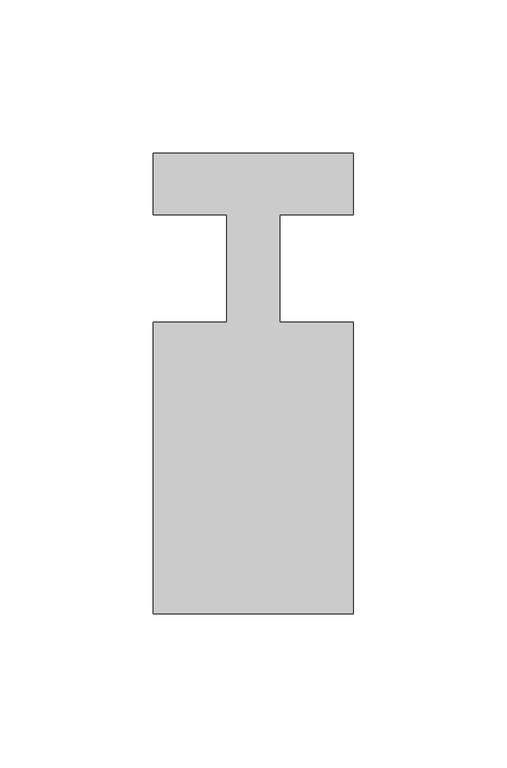
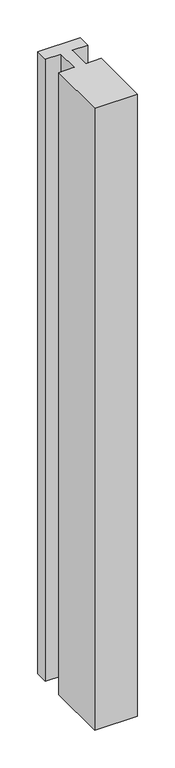
"""IFC4 building model written with IfcOpenShell, lengths in millimetres: member geometry."""

from ifc_helpers import new_model, si_unit, frame, origin, place, context, project, spatial, polyline, outline, extrude, source, transform, mapped, element, save


def member_91fed681(model_context):
    return source(origin(), model_context, "Body", "SweptSolid", [
        extrude(outline(polyline([(0.0, 37.0), (0.0, 17.0), (-23.8125, 17.0), (-23.8125, -18.0), (0.0, -18.0), (0.0, -113.0), (-65.0, -113.0), (-65.0, -18.0), (-41.1875, -18.0), (-41.1875, 17.0), (-65.0, 17.0), (-65.0, 37.0), (0.0, 37.0)])), frame((0.0, 0.0, -1004.0982143), z_axis=(0.0, 0.0, 1.0), x_axis=(1.0, 0.0, 0.0)), (0.0, 0.0, 1.0), 1004.0982143),
    ])


if __name__ == "__main__":
    model = new_model("IFC4")
    model_context = context("Model", 3, world=origin())
    ifc_project = project(units=[si_unit("LENGTHUNIT", "METRE", prefix="MILLI")], contexts=[model_context])
    site = spatial("IfcSite", under=ifc_project)
    building = spatial("IfcBuilding", under=site)
    placement = place(None, origin())
    member_shape = member_91fed681(model_context)
    element("IfcMember", 1, at=placement, inside=building, context=model_context, shape_type="MappedRepresentation", body=[
        mapped(member_shape, transform((0.0, 0.0, 0.0), x_axis=(1.0, 0.0, 0.0), y_axis=(0.0, 1.0, 0.0), z_axis=(0.0, 0.0, 1.0))),
    ])
    save(model, "model.ifc")
